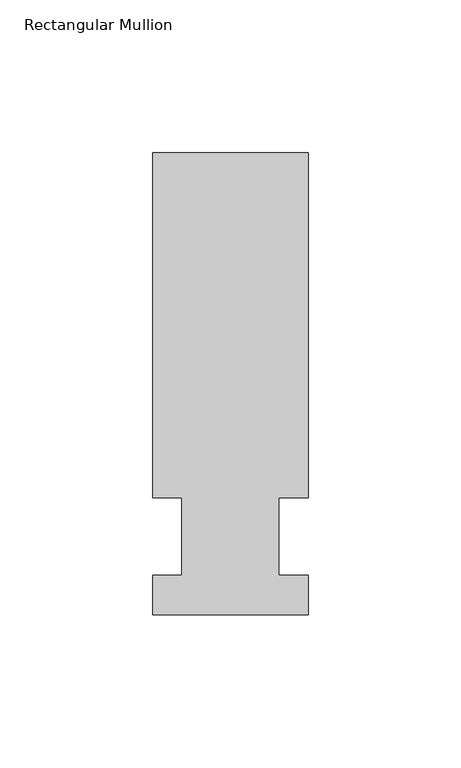
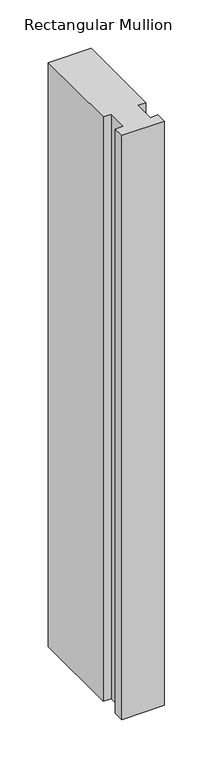
"""IFC4 building model written with IfcOpenShell, lengths in millimetres: member geometry, Rectangular Mullion."""

from ifc_helpers import new_model, si_unit, frame, origin, place, context, project, spatial, polyline, outline, extrude, source, transform, mapped, element, save


def rectangular_mullion_9269f6e4(model_context):
    return source(origin(), model_context, "Body", "SweptSolid", [
        extrude(outline(polyline([(-25.4, -25.5984375), (-25.4, -12.7), (-15.875, -12.7), (-15.875, 12.7), (-25.4, 12.7), (-25.4, 125.6109375), (25.4, 125.6109375), (25.4, 12.7), (15.875, 12.7), (15.875, -12.7), (25.4, -12.7), (25.4, -25.5984375), (-25.4, -25.5984375)])), frame((0.0, 0.0, -736.6), z_axis=(0.0, 0.0, 1.0), x_axis=(1.0, 0.0, 0.0)), (0.0, 0.0, 1.0), 736.6),
    ])


if __name__ == "__main__":
    model = new_model("IFC4")
    model_context = context("Model", 3, world=origin())
    ifc_project = project(units=[si_unit("LENGTHUNIT", "METRE", prefix="MILLI")], contexts=[model_context])
    site = spatial("IfcSite", under=ifc_project)
    building = spatial("IfcBuilding", under=site)
    placement = place(None, origin())
    rectangular_mullion_shape = rectangular_mullion_9269f6e4(model_context)
    element("IfcMember", 1, ObjectType="Rectangular Mullion", at=placement, inside=building, context=model_context, shape_type="MappedRepresentation", body=[
        mapped(rectangular_mullion_shape, transform((0.0, 0.0, 0.0), x_axis=(1.0, 0.0, 0.0), y_axis=(0.0, 1.0, 0.0), z_axis=(0.0, 0.0, 1.0))),
    ])
    save(model, "model.ifc")
